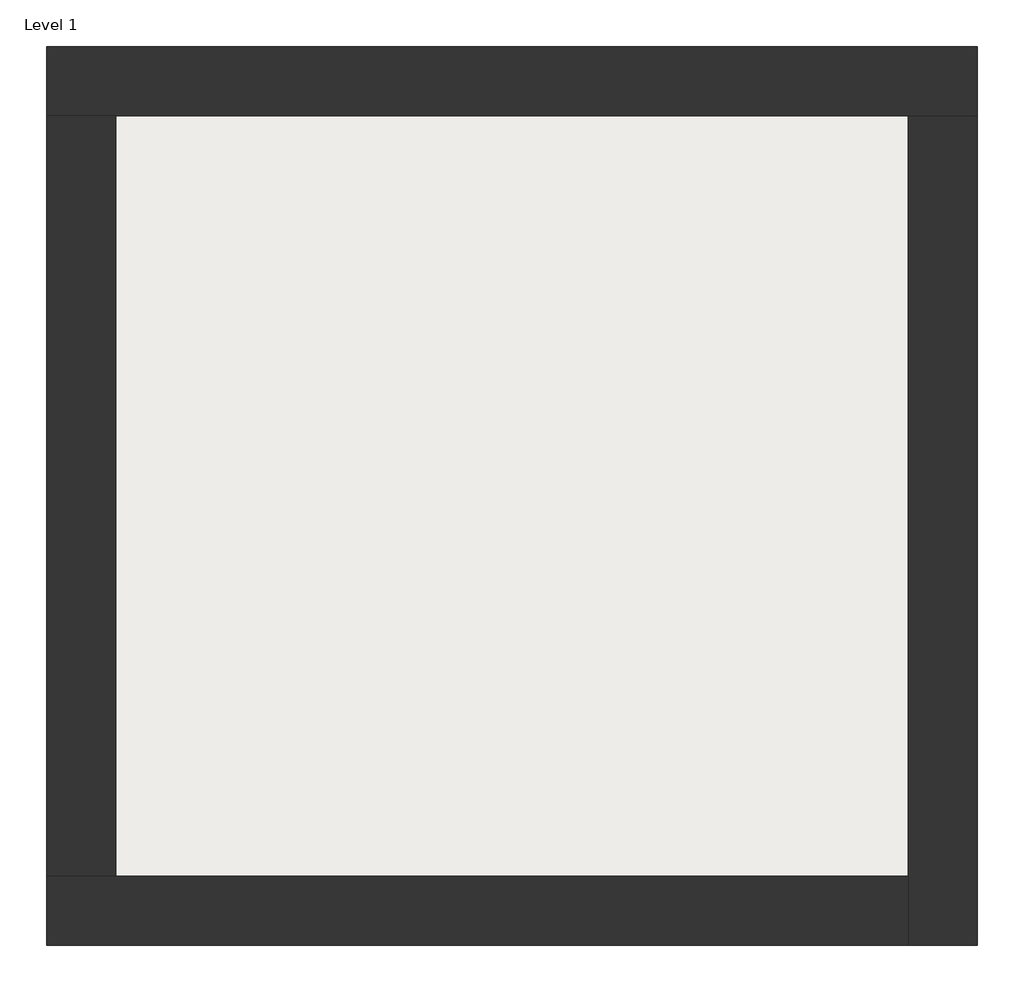
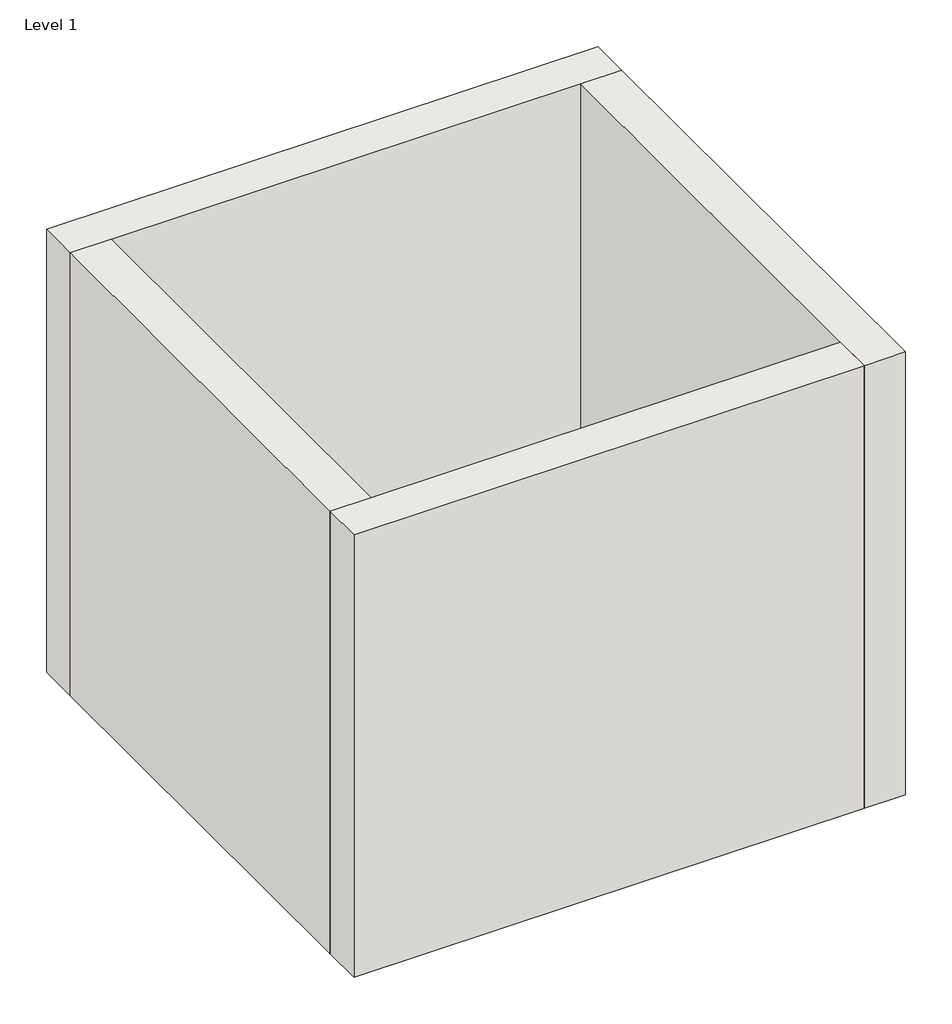
# One storey: 4 walls, 1 slab.
"""IFC4 building model written with IfcOpenShell, lengths in millimetres."""

from ifc_helpers import new_model, si_unit, frame, origin, origin_with_axes, place, context, project, spatial, polyline, outline, extrude, faceted_brep, element, save

model = new_model("IFC4")

# Units and contexts
model_context = context("Model", 3, world=origin())
ifc_project = project(units=[si_unit("LENGTHUNIT", "METRE", prefix="MILLI")], contexts=[model_context])

# Site, building, storey
site = spatial("IfcSite", under=ifc_project)
building = spatial("IfcBuilding", under=site)
storey = spatial("IfcBuildingStorey", under=building, Name="Level 1", Elevation=0.0)

# Slab
placement = place(None, origin())
element("IfcSlab", 1, at=placement, inside=storey, context=model_context, shape_type="SweptSolid", body=[
    extrude(outline(polyline([(-10869.3573003, 6934.2750283), (-10869.3573003, 3058.2750283), (-14907.8573003, 3058.2750283), (-14907.8573003, 6934.2750283), (-10869.3573003, 6934.2750283)])), frame((0.0, 0.0, 51.0), z_axis=(0.0, 0.0, 1.0), x_axis=(1.0, 0.0, 0.0)), (0.0, 0.0, 1.0), 49.0),
])

# Walls
element("IfcWall", 2, ObjectType="Exterior - Brick on Mtl. Stud", at=placement, inside=storey, context=model_context, shape_type="Brep", body=[
    faceted_brep([(-15244.8573003, 6921.2750283, 0.0), (-14894.8573003, 6921.2750283, 0.0), (-10882.3573003, 6921.2750283, 0.0), (-10532.3573003, 6921.2750283, 0.0), (-10532.3573003, 6921.2750283, 4000.0), (-10882.3573003, 6921.2750283, 4000.0), (-14894.8573003, 6921.2750283, 4000.0), (-15244.8573003, 6921.2750283, 4000.0), (-15244.8573003, 7271.2750283, 0.0), (-15244.8573003, 7271.2750283, 4000.0), (-10532.3573003, 7271.2750283, 4000.0), (-10532.3573003, 7271.2750283, 0.0)], [[[0, 1, 2, 3, 4, 5, 6, 7]], [[8, 9, 10, 11]], [[3, 2, 1, 0, 8, 11]], [[7, 6, 5, 4, 10, 9]], [[0, 7, 9, 8]], [[4, 3, 11, 10]]]),
])
element("IfcWall", 3, ObjectType="Exterior - Brick on Mtl. Stud", at=placement, inside=storey, context=model_context, shape_type="Brep", body=[
    faceted_brep([(-10882.3573003, 6921.2750283, 0.0), (-10882.3573003, 3071.2750283, 0.0), (-10882.3573003, 2721.2750283, 0.0), (-10882.3573003, 2721.2750283, 4000.0), (-10882.3573003, 3071.2750283, 4000.0), (-10882.3573003, 6921.2750283, 4000.0), (-10532.3573003, 6921.2750283, 0.0), (-10532.3573003, 6921.2750283, 4000.0), (-10532.3573003, 2721.2750283, 4000.0), (-10532.3573003, 2721.2750283, 0.0)], [[[0, 1, 2, 3, 4, 5]], [[6, 7, 8, 9]], [[2, 1, 0, 6, 9]], [[5, 4, 3, 8, 7]], [[3, 2, 9, 8]], [[0, 5, 7, 6]]]),
])
element("IfcWall", 4, ObjectType="Exterior - Brick on Mtl. Stud", at=placement, inside=storey, context=model_context, shape_type="Brep", body=[
    faceted_brep([(-10882.3573003, 3071.2750283, 0.0), (-14894.8573003, 3071.2750283, 0.0), (-15244.8573003, 3071.2750283, 0.0), (-15244.8573003, 3071.2750283, 4000.0), (-14894.8573003, 3071.2750283, 4000.0), (-10882.3573003, 3071.2750283, 4000.0), (-10882.3573003, 2721.2750283, 0.0), (-10882.3573003, 2721.2750283, 4000.0), (-15244.8573003, 2721.2750283, 4000.0), (-15244.8573003, 2721.2750283, 0.0)], [[[0, 1, 2, 3, 4, 5]], [[6, 7, 8, 9]], [[2, 1, 0, 6, 9]], [[5, 4, 3, 8, 7]], [[3, 2, 9, 8]], [[0, 5, 7, 6]]]),
])
element("IfcWall", 5, ObjectType="Exterior - Brick on Mtl. Stud", at=placement, inside=storey, context=model_context, shape_type="SweptSolid", body=[
    extrude(outline(polyline([(-14894.8573003, 6921.2750283), (-14894.8573003, 3071.2750283), (-15244.8573003, 3071.2750283), (-15244.8573003, 6921.2750283), (-14894.8573003, 6921.2750283)])), origin_with_axes(), (0.0, 0.0, 1.0), 4000.0),
])

save(model, "model.ifc")
